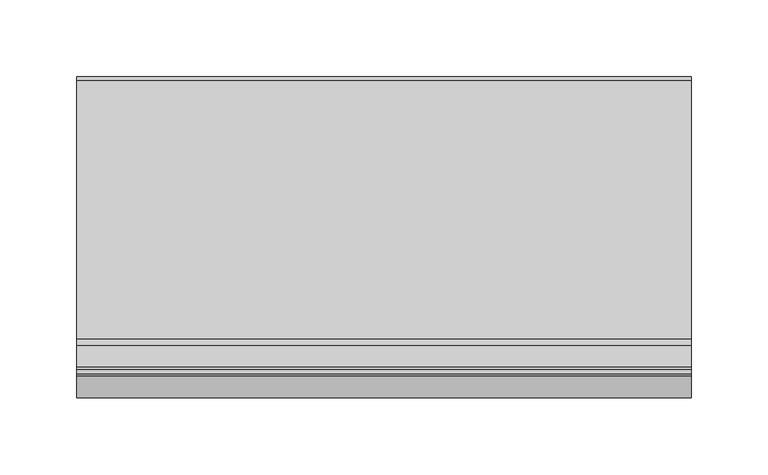
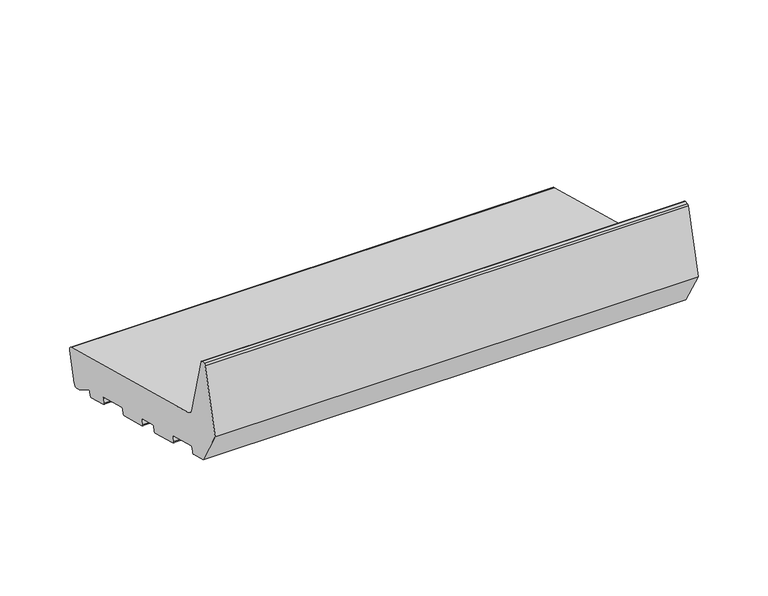
"""IFC4 building model written with IfcOpenShell, lengths in millimetres: proxy geometry."""

from ifc_helpers import new_model, si_unit, point, frame, frame_2d, origin, place, context, project, spatial, polyline, circle_curve, trimmed, segment, composite_curve, outline, extrude, source, transform, mapped, element, save


def generic_models_41c63469(model_context):
    return source(origin(), model_context, "Body", "SweptSolid", [
        extrude(outline(composite_curve([segment(polyline([(24.5646181, 4.2013545), (21.6668406, 4.9778116), (7.6810717, 13.5112573)]), True, "CONTINUOUS"), segment(trimmed(circle_curve(frame_2d((7.1602179, 12.6576114)), 1.0), [point((7.6810717, 13.5112573))], [point((6.1942921, 12.9164305))], True, "CARTESIAN"), True, "CONTINUOUS"), segment(polyline([(6.1942921, 12.9164305), (5.2461016, 9.3777354)]), True, "CONTINUOUS"), segment(trimmed(circle_curve(frame_2d((4.2801757, 9.6365544)), 1.0), [point((5.2461016, 9.3777354))], [point((4.0213567, 8.6706286))], False, "CARTESIAN"), True, "CONTINUOUS"), segment(polyline([(4.0213567, 8.6706286), (-13.3653082, 13.3293714)]), True, "CONTINUOUS"), segment(trimmed(circle_curve(frame_2d((-13.1064891, 14.2952972)), 1.0), [point((-13.3653082, 13.3293714))], [point((-14.072415, 14.5541163))], False, "CARTESIAN"), True, "CONTINUOUS"), segment(polyline([(-14.072415, 14.5541163), (-13.0371388, 18.4178196)]), True, "CONTINUOUS"), segment(trimmed(circle_curve(frame_2d((-14.0030646, 18.6766386)), 1.0), [point((-13.0371388, 18.4178196))], [point((-13.7442456, 19.6425645))], True, "CARTESIAN"), True, "CONTINUOUS"), segment(polyline([(-13.7442456, 19.6425645), (-39.8242429, 26.6306787)]), True, "CONTINUOUS"), segment(trimmed(circle_curve(frame_2d((-40.0830619, 25.6647528)), 1.0), [point((-39.8242429, 26.6306787))], [point((-41.0489877, 25.9235719))], True, "CARTESIAN"), True, "CONTINUOUS"), segment(polyline([(-41.0489877, 25.9235719), (-42.0842639, 22.0598686)]), True, "CONTINUOUS"), segment(trimmed(circle_curve(frame_2d((-43.0501897, 22.3186876)), 1.0), [point((-42.0842639, 22.0598686))], [point((-43.3090088, 21.3527618))], False, "CARTESIAN"), True, "CONTINUOUS"), segment(polyline([(-43.3090088, 21.3527618), (-68.4230803, 28.082057)]), True, "CONTINUOUS"), segment(trimmed(circle_curve(frame_2d((-68.1642612, 29.0479828)), 1.0), [point((-68.4230803, 28.082057))], [point((-69.1301871, 29.3068018))], False, "CARTESIAN"), True, "CONTINUOUS"), segment(polyline([(-69.1301871, 29.3068018), (-68.0949109, 33.1705052)]), True, "CONTINUOUS"), segment(trimmed(circle_curve(frame_2d((-69.0608367, 33.4293242)), 1.0), [point((-68.0949109, 33.1705052))], [point((-68.8020177, 34.39525))], True, "CARTESIAN"), True, "CONTINUOUS"), segment(polyline([(-68.8020177, 34.39525), (-84.2568309, 38.5363547)]), True, "CONTINUOUS"), segment(trimmed(circle_curve(frame_2d((-84.5156499, 37.5704289)), 1.0), [point((-84.2568309, 38.5363547))], [point((-85.4815758, 37.829248))], True, "CARTESIAN"), True, "CONTINUOUS"), segment(polyline([(-85.4815758, 37.829248), (-86.5168519, 33.9655447)]), True, "CONTINUOUS"), segment(trimmed(circle_curve(frame_2d((-87.4827778, 34.2243637)), 1.0), [point((-86.5168519, 33.9655447))], [point((-87.7415968, 33.2584379))], False, "CARTESIAN"), True, "CONTINUOUS"), segment(polyline([(-87.7415968, 33.2584379), (-112.8556683, 39.9877331)]), True, "CONTINUOUS"), segment(trimmed(circle_curve(frame_2d((-112.5968492, 40.9536589)), 1.0), [point((-112.8556683, 39.9877331))], [point((-113.5627751, 41.2124779))], False, "CARTESIAN"), True, "CONTINUOUS"), segment(polyline([(-113.5627751, 41.2124779), (-112.5274989, 45.0761812)]), True, "CONTINUOUS"), segment(trimmed(circle_curve(frame_2d((-113.4934247, 45.3350003)), 1.0), [point((-112.5274989, 45.0761812))], [point((-113.2346057, 46.3009261))], True, "CARTESIAN"), True, "CONTINUOUS"), segment(polyline([(-113.2346057, 46.3009261), (-139.314603, 53.2890403)]), True, "CONTINUOUS"), segment(trimmed(circle_curve(frame_2d((-139.573422, 52.3231145)), 1.0), [point((-139.314603, 53.2890403))], [point((-140.5393479, 52.5819335))], True, "CARTESIAN"), True, "CONTINUOUS"), segment(polyline([(-140.5393479, 52.5819335), (-141.574624, 48.7182302)]), True, "CONTINUOUS"), segment(trimmed(circle_curve(frame_2d((-142.5405499, 48.9770493)), 1.0), [point((-141.574624, 48.7182302))], [point((-142.7993689, 48.0111234))], False, "CARTESIAN"), True, "CONTINUOUS"), segment(polyline([(-142.7993689, 48.0111234), (-156.3223305, 51.6345901), (-174.0, 82.2532119), (-159.6423334, 135.8367531)]), True, "CONTINUOUS"), segment(trimmed(circle_curve(frame_2d((-158.1934447, 135.4485245)), 1.5), [point((-159.6423334, 135.8367531))], [point((-158.1934447, 136.9485245))], False, "CARTESIAN"), True, "CONTINUOUS"), segment(polyline([(-158.1934447, 136.9485245), (-155.1818846, 136.9485245)]), True, "CONTINUOUS"), segment(trimmed(circle_curve(frame_2d((-155.1818846, 135.4485245)), 1.5), [point((-155.1818846, 136.9485245))], [point((-153.7329958, 135.8367531))], False, "CARTESIAN"), True, "CONTINUOUS"), segment(polyline([(-153.7329958, 135.8367531), (-139.984545, 84.5268362)]), True, "CONTINUOUS"), segment(trimmed(circle_curve(frame_2d((-134.1889901, 86.0797504)), 6.0), [point((-139.984545, 84.5268362))], [point((-135.7419043, 80.2841955))], True, "CARTESIAN"), True, "CONTINUOUS"), segment(polyline([(-135.7419043, 80.2841955), (32.8468275, 35.1109809)]), True, "CONTINUOUS"), segment(trimmed(circle_curve(frame_2d((32.0703704, 32.2132034)), 3.0), [point((32.8468275, 35.1109809))], [point((34.9681479, 31.4367463))], False, "CARTESIAN"), True, "CONTINUOUS"), segment(polyline([(34.9681479, 31.4367463), (28.2388527, 6.3226748)]), True, "CONTINUOUS"), segment(trimmed(circle_curve(frame_2d((25.3410752, 7.099132)), 3.0), [point((28.2388527, 6.3226748))], [point((24.5646181, 4.2013545))], False, "CARTESIAN"), True, "CONTINUOUS")], self_intersect=False)), frame((0.0, 0.0, 0.0), z_axis=(1.0, 0.0, 0.0), x_axis=(0.0, 1.0, 0.0)), (0.0, 0.0, 1.0), 400.0),
    ])


if __name__ == "__main__":
    model = new_model("IFC4")
    model_context = context("Model", 3, world=origin())
    ifc_project = project(units=[si_unit("LENGTHUNIT", "METRE", prefix="MILLI")], contexts=[model_context])
    site = spatial("IfcSite", under=ifc_project)
    building = spatial("IfcBuilding", under=site)
    placement = place(None, origin())
    generic_models_shape = generic_models_41c63469(model_context)
    element("IfcBuildingElementProxy", 1, Name="Generic Models", at=placement, inside=building, context=model_context, shape_type="MappedRepresentation", body=[
        mapped(generic_models_shape, transform((0.0, 0.0, 0.0), x_axis=(1.0, 0.0, 0.0), y_axis=(0.0, 1.0, 0.0), z_axis=(0.0, 0.0, 1.0))),
    ])
    save(model, "model.ifc")
